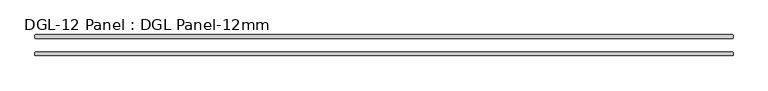
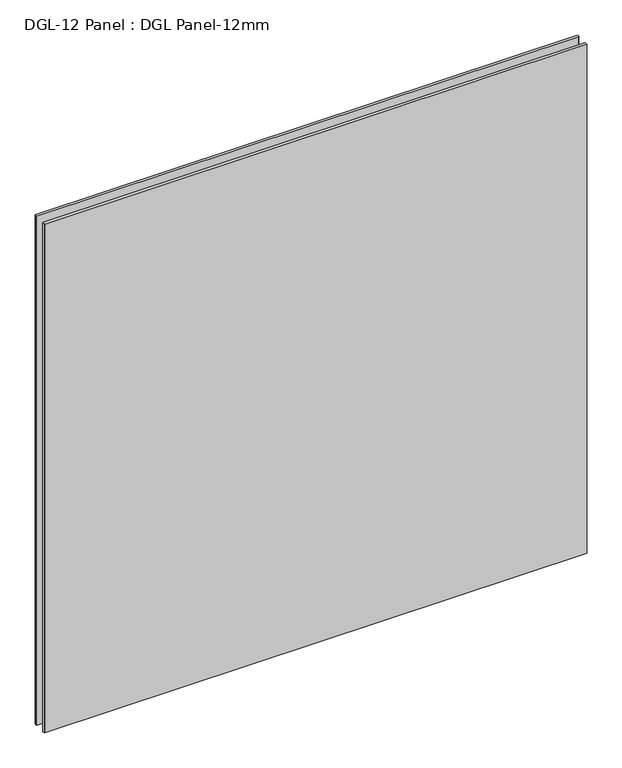
"""IFC4 building model written with IfcOpenShell, lengths in millimetres: plate geometry, DGL-12 Panel : DGL Panel-12mm."""

from ifc_helpers import new_model, si_unit, origin, origin_with_axes, place, context, project, spatial, polyline, outline, extrude, source, transform, mapped, element, save


def dgl_12_panel_dgl_panel_12mm_be72604d(model_context):
    return source(origin(), model_context, "Body", "SweptSolid", [
        extrude(outline(polyline([(1179.115625, -22.9195313), (1180.703125, -24.5070313), (1180.703125, -34.0320313), (1179.115625, -35.6195313), (-1179.115625, -35.6195313), (-1180.703125, -34.0320313), (-1180.703125, -24.5070313), (-1179.115625, -22.9195313), (1179.115625, -22.9195313)])), origin_with_axes(), (0.0, 0.0, 1.0), 2339.4622278),
        extrude(outline(polyline([(1179.115625, 35.6195312), (1180.703125, 34.0320312), (1180.703125, 24.5070312), (1179.115625, 22.9195312), (-1179.115625, 22.9195312), (-1180.703125, 24.5070312), (-1180.703125, 34.0320312), (-1179.115625, 35.6195312), (1179.115625, 35.6195312)])), origin_with_axes(), (0.0, 0.0, 1.0), 2339.4622278),
    ])


if __name__ == "__main__":
    model = new_model("IFC4")
    model_context = context("Model", 3, world=origin())
    ifc_project = project(units=[si_unit("LENGTHUNIT", "METRE", prefix="MILLI")], contexts=[model_context])
    site = spatial("IfcSite", under=ifc_project)
    building = spatial("IfcBuilding", under=site)
    placement = place(None, origin())
    dgl_12_panel_dgl_panel_12mm_shape = dgl_12_panel_dgl_panel_12mm_be72604d(model_context)
    element("IfcPlate", 1, ObjectType="DGL-12 Panel : DGL Panel-12mm", at=placement, inside=building, context=model_context, shape_type="MappedRepresentation", body=[
        mapped(dgl_12_panel_dgl_panel_12mm_shape, transform((0.0, 0.0, 0.0), x_axis=(1.0, 0.0, 0.0), y_axis=(0.0, 1.0, 0.0), z_axis=(0.0, 0.0, 1.0))),
    ])
    save(model, "model.ifc")
